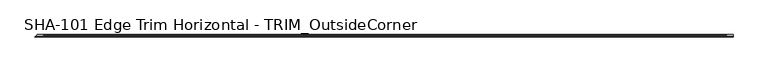
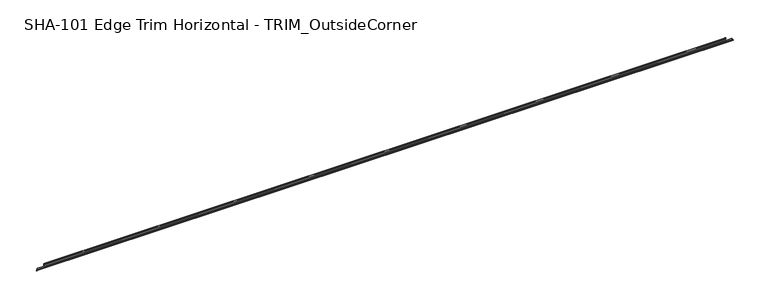
"""IFC4 building model written with IfcOpenShell, lengths in millimetres: proxy geometry, SHA-101 Edge Trim Horizontal - TRIM_OutsideCorner."""

from ifc_helpers import new_model, si_unit, frame, origin, place, context, project, spatial, polyline, circle_curve, ellipse_curve, source, transform, mapped, element, save
from ifc_brep_helpers import plane_surface, cylinder_surface, revolved_surface, advanced_brep


def sha_101_edge_trim_horizontal_trim_outsidecorner_a04341a4(model_context):
    return source(origin(), model_context, "Body", "AdvancedBrep", [
        advanced_brep(
        [(5358.3085938, 7.0200081, 1.5748), (5358.3085938, 3.8704081, 1.5748), (5358.3085938, 0.79375, 1.5748), (5358.3085938, 0.79375, 0.0), (5358.3085938, 19.7327081, 0.0), (5358.3085938, 19.7327081, 1.5748), (19.7327081, 19.7327081, 0.0), (19.7327081, 19.7327081, 1.5748), (70.5327081, 19.7327081, 1.5748), (70.5327081, 19.7327081, 19.0246), (5307.5085938, 19.7327081, 19.0246), (5307.5085938, 19.7327081, 1.5748), (70.5327081, 14.3400511, 19.0246), (5307.5085938, 14.3400511, 19.0246), (70.5327081, 12.5290774, 29.6006869), (5307.5085938, 12.5290774, 29.6006869), (70.5327081, 11.4003846, 30.0600848), (70.5327081, 10.2077081, 29.5346031), (5307.5085938, 10.2077081, 29.5346031), (5307.5085938, 11.4003846, 30.0600848), (70.5327081, 10.2077081, 17.4498), (5307.5085938, 10.2077081, 17.4498), (70.5327081, 16.8879081, 17.4498), (5307.5085938, 16.8879081, 17.4498), (70.5327081, 18.1579081, 16.1798), (5307.5085938, 18.1579081, 16.1798), (70.5327081, 18.1579081, 1.5748), (5307.5085938, 18.1579081, 1.5748), (7.0200081, 7.0200081, 1.5748), (3.8704081, 3.8704081, 1.5748), (0.79375, 0.79375, 1.5748), (0.79375, 0.79375, 0.0)],
        [
            (0, 1, circle_curve(frame((5358.3085938, 5.4452081, 1.5748), z_axis=(1.0, 0.0, 0.0), x_axis=(0.0, 1.0, 0.0)), 1.5748)),
            (1, 2),
            (2, 3),
            (3, 4),
            (4, 5),
            (5, 0),
            (4, 6),
            (6, 7),
            (7, 8),
            (8, 9),
            (9, 10),
            (10, 11),
            (11, 5),
            (9, 12),
            (12, 13),
            (13, 10),
            (12, 14),
            (14, 15),
            (15, 13),
            (14, 16, circle_curve(frame((70.5327081, 11.4003846, 28.4438454), z_axis=(1.0, 0.0, 0.0), x_axis=(0.0, 1.0, 0.0)), 1.6162393)),
            (16, 17, circle_curve(frame((70.5327081, 11.4003846, 28.4438454), z_axis=(1.0, 0.0, 0.0), x_axis=(0.0, 1.0, 0.0)), 1.6162393)),
            (17, 18),
            (18, 19, circle_curve(frame((5307.5085938, 11.4003846, 28.4438454), z_axis=(-1.0, 0.0, 0.0), x_axis=(0.0, 1.0, 0.0)), 1.6162393)),
            (19, 15, circle_curve(frame((5307.5085938, 11.4003846, 28.4438454), z_axis=(-1.0, 0.0, 0.0), x_axis=(0.0, 1.0, 0.0)), 1.6162393)),
            (17, 20),
            (20, 21),
            (21, 18),
            (20, 22),
            (22, 23),
            (23, 21),
            (22, 24, circle_curve(frame((70.5327081, 16.8879081, 16.1798), z_axis=(-1.0, 0.0, 0.0), x_axis=(0.0, 1.0, 0.0)), 1.27)),
            (24, 25),
            (25, 23, circle_curve(frame((5307.5085938, 16.8879081, 16.1798), z_axis=(1.0, 0.0, 0.0), x_axis=(0.0, 1.0, 0.0)), 1.27)),
            (24, 26),
            (26, 27),
            (27, 25),
            (11, 27),
            (26, 8),
            (7, 28),
            (28, 0),
            (28, 29, ellipse_curve(frame((5.4452081, 5.4452081, 1.5748), z_axis=(0.7071067811865489, -0.7071067811865461, 0.0), x_axis=(0.7071067811865461, 0.7071067811865489, 0.0)), 2.2271035, 1.5748)),
            (29, 1),
            (29, 30),
            (30, 2),
            (30, 31),
            (31, 3),
            (31, 6),
        ],
        [
            plane_surface(frame((5358.3085938, 19.7327081, 19.0246), z_axis=(1.0, 0.0, 0.0), x_axis=(0.0, 0.0, 1.0))),
            plane_surface(frame((5358.3085938, 19.7327081, 0.0), z_axis=(0.0, 1.0, 0.0), x_axis=(-1.0, 0.0, 0.0))),
            plane_surface(frame((5358.3085938, 19.7327081, 19.0246), z_axis=(0.0, 0.0, 1.0), x_axis=(-1.0, 0.0, 0.0))),
            plane_surface(frame((5358.3085938, 14.3400511, 19.0246), z_axis=(0.0, 0.9856543593990696, 0.16877643140441637), x_axis=(-1.0, 0.0, 0.0))),
            cylinder_surface(frame((0.0, 11.4003846, 28.4438454), z_axis=(1.0, 0.0, 0.0), x_axis=(0.0, 1.0, 0.0)), 1.6162393),
            plane_surface(frame((5358.3085938, 10.2077081, 29.5346031), z_axis=(0.0, -1.0, 0.0), x_axis=(-1.0, 0.0, 0.0))),
            plane_surface(frame((5358.3085938, 10.2077081, 17.4498), z_axis=(0.0, 0.0, -1.0), x_axis=(-1.0, 0.0, 0.0))),
            revolved_surface(polyline([(70.5327081, 18.1579081, 16.1798), (5307.5085938, 18.1579081, 16.1798)]), (0.0, 16.8879081, 16.1798), (-1.0, 0.0, 0.0)),
            plane_surface(frame((5358.3085938, 18.1579081, 16.1798), z_axis=(0.0, -1.0, 0.0), x_axis=(-1.0, 0.0, 0.0))),
            plane_surface(frame((5358.3085938, 18.1579081, 1.5748), z_axis=(0.0, 0.0, 1.0), x_axis=(-1.0, 0.0, 0.0))),
            cylinder_surface(frame((0.0, 5.4452081, 1.5748), z_axis=(1.0, 0.0, 0.0), x_axis=(0.0, 1.0, 0.0)), 1.5748),
            plane_surface(frame((5358.3085938, 3.8704081, 1.5748), z_axis=(0.0, 0.0, 1.0), x_axis=(-1.0, 0.0, 0.0))),
            plane_surface(frame((5358.3085938, 0.79375, 1.5748), z_axis=(0.0, -1.0, 0.0), x_axis=(-1.0, 0.0, 0.0))),
            plane_surface(frame((5358.3085938, 0.79375, 0.0), z_axis=(0.0, 0.0, -1.0), x_axis=(-1.0, 0.0, 0.0))),
            plane_surface(frame((5307.5085938, 10.2077081, 30.0600848), z_axis=(1.0, 0.0, 0.0), x_axis=(0.0, 1.0, 0.0))),
            plane_surface(frame((70.5327081, 10.2077081, 1.5748), z_axis=(-1.0, 0.0, 0.0), x_axis=(0.0, 1.0, 0.0))),
            plane_surface(frame((0.0, 0.0, 66.04), z_axis=(-0.7071067811865489, 0.7071067811865461, 0.0), x_axis=(0.0, 0.0, -1.0))),
        ],
        [
            (0, [[1, 2, 3, 4, 5, 6]]),
            (1, [[-5, 7, 8, 9, 10, 11, 12, 13]]),
            (2, [[-11, 14, 15, 16]]),
            (3, [[-15, 17, 18, 19]]),
            (4, [[-18, 20, 21, 22, 23, 24]]),
            (5, [[-22, 25, 26, 27]]),
            (6, [[-26, 28, 29, 30]]),
            (7, [[-29, 31, 32, 33]]),
            (8, [[-32, 34, 35, 36]]),
            (9, [[37, -35, 38, -9, 39, 40, -6, -13]]),
            (10, [[-1, -40, 41, 42]]),
            (11, [[-2, -42, 43, 44]]),
            (12, [[-3, -44, 45, 46]]),
            (13, [[-4, -46, 47, -7]]),
            (14, [[-37, -12, -16, -19, -24, -23, -27, -30, -33, -36]]),
            (15, [[-38, -34, -31, -28, -25, -21, -20, -17, -14, -10]]),
            (16, [[-8, -47, -45, -43, -41, -39]]),
        ],
    ),
    ])


if __name__ == "__main__":
    model = new_model("IFC4")
    model_context = context("Model", 3, world=origin())
    ifc_project = project(units=[si_unit("LENGTHUNIT", "METRE", prefix="MILLI")], contexts=[model_context])
    site = spatial("IfcSite", under=ifc_project)
    building = spatial("IfcBuilding", under=site)
    placement = place(None, origin())
    sha_101_edge_trim_horizontal_trim_outsidecorner_shape = sha_101_edge_trim_horizontal_trim_outsidecorner_a04341a4(model_context)
    element("IfcBuildingElementProxy", 1, Name="SHA-101 Edge Trim Horizontal - TRIM_OutsideCorner", ObjectType="SHA-101 Edge Trim Horizontal - TRIM_OutsideCorner", at=placement, inside=building, context=model_context, shape_type="MappedRepresentation", body=[
        mapped(sha_101_edge_trim_horizontal_trim_outsidecorner_shape, transform((0.0, 0.0, 0.0), x_axis=(1.0, 0.0, 0.0), y_axis=(0.0, 1.0, 0.0), z_axis=(0.0, 0.0, 1.0))),
    ])
    save(model, "model.ifc")
